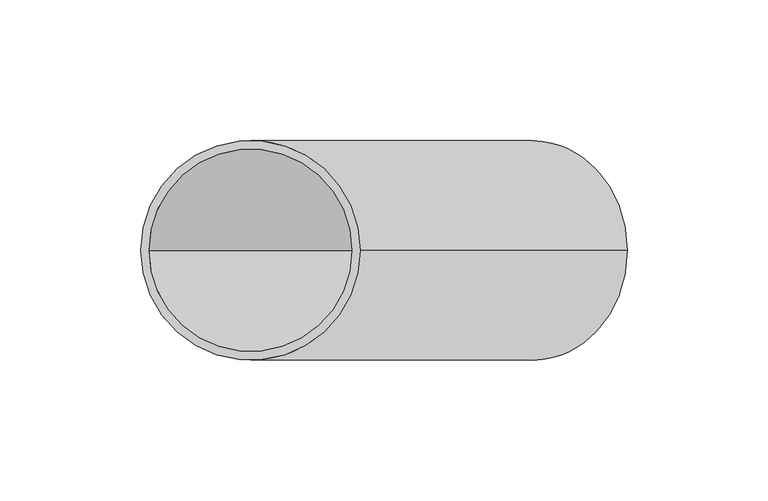
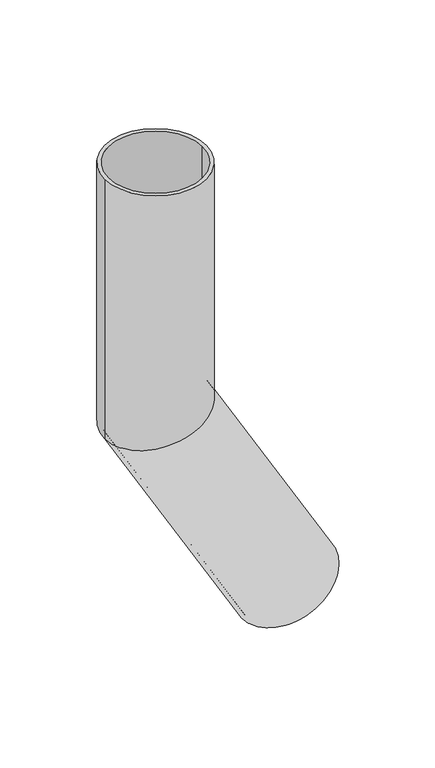
"""IFC4 building model written with IfcOpenShell, lengths in millimetres: beam geometry."""

from ifc_helpers import new_model, si_unit, frame, origin, place, context, project, spatial, polyline, circle_curve, ellipse_curve, source, transform, mapped, element, save
from ifc_brep_helpers import plane_surface, cylinder_surface, revolved_surface, advanced_brep


def beam_1f14a3c4(model_context):
    return source(origin(), model_context, "Body", "AdvancedBrep", [
        advanced_brep(
        [(133.7749907, 0.0, -353.7050808), (66.2250093, 0.0, -392.7050808), (131.1769145, 0.0, -355.2050808), (68.8230855, 0.0, -391.2050808), (39.0, 0.0, 0.0), (-39.0, 0.0, 0.0), (36.0, 0.0, 0.0), (-36.0, 0.0, 0.0), (36.0, 0.0, -190.3538291), (0.0, -36.0, -200.0), (-36.0, 0.0, -209.6461709), (0.0, 36.0, -200.0), (39.0, 0.0, -189.5499815), (-39.0, 0.0, -210.4500185)],
        [
            (0, 1, circle_curve(frame((100.0, 0.0, -373.2050808), z_axis=(0.5000000000000633, 0.0, -0.8660254037844022), x_axis=(-0.8660254037844022, 0.0, -0.5000000000000633)), 39.0)),
            (1, 0, circle_curve(frame((100.0, 0.0, -373.2050808), z_axis=(0.5000000000000633, 0.0, -0.8660254037844022), x_axis=(-0.8660254037844022, 0.0, -0.5000000000000633)), 39.0)),
            (2, 3, circle_curve(frame((100.0, 0.0, -373.2050808), z_axis=(-0.5000000000000633, 0.0, 0.8660254037844022), x_axis=(-0.8660254037844022, 0.0, -0.5000000000000633)), 36.0)),
            (3, 2, circle_curve(frame((100.0, 0.0, -373.2050808), z_axis=(-0.5000000000000633, 0.0, 0.8660254037844022), x_axis=(-0.8660254037844022, 0.0, -0.5000000000000633)), 36.0)),
            (4, 5, circle_curve(frame((0.0, 0.0, 0.0), z_axis=(0.0, 0.0, 1.0), x_axis=(-1.0, 0.0, 0.0)), 39.0)),
            (5, 4, circle_curve(frame((0.0, 0.0, 0.0), z_axis=(0.0, 0.0, 1.0), x_axis=(-1.0, 0.0, 0.0)), 39.0)),
            (6, 7, circle_curve(frame((0.0, 0.0, 0.0), z_axis=(0.0, 0.0, -1.0), x_axis=(-1.0, 0.0, 0.0)), 36.0)),
            (7, 6, circle_curve(frame((0.0, 0.0, 0.0), z_axis=(0.0, 0.0, -1.0), x_axis=(-1.0, 0.0, 0.0)), 36.0)),
            (6, 8),
            (8, 9, ellipse_curve(frame((0.0, 0.0, -200.0), z_axis=(0.25881904510255604, 0.0, -0.9659258262890589), x_axis=(0.9659258262890589, 0.0, 0.25881904510255593)), 37.2699425, 36.0)),
            (9, 10, ellipse_curve(frame((0.0, 0.0, -200.0), z_axis=(0.25881904510255604, 0.0, -0.9659258262890589), x_axis=(0.9659258262890589, 0.0, 0.25881904510255593)), 37.2699425, 36.0)),
            (10, 7),
            (10, 11, ellipse_curve(frame((0.0, 0.0, -200.0), z_axis=(0.25881904510255604, 0.0, -0.9659258262890589), x_axis=(0.9659258262890589, 0.0, 0.25881904510255593)), 37.2699425, 36.0)),
            (11, 8, ellipse_curve(frame((0.0, 0.0, -200.0), z_axis=(0.25881904510255604, 0.0, -0.9659258262890589), x_axis=(0.9659258262890589, 0.0, 0.25881904510255593)), 37.2699425, 36.0)),
            (4, 12),
            (12, 13, ellipse_curve(frame((0.0, 0.0, -200.0), z_axis=(-0.25881904510255604, 0.0, 0.9659258262890589), x_axis=(-0.9659258262890589, 0.0, -0.25881904510255593)), 40.375771, 39.0)),
            (13, 5),
            (13, 12, ellipse_curve(frame((0.0, 0.0, -200.0), z_axis=(-0.25881904510255604, 0.0, 0.9659258262890589), x_axis=(-0.9659258262890589, 0.0, -0.25881904510255593)), 40.375771, 39.0)),
            (2, 8),
            (10, 3),
            (0, 12),
            (13, 1),
        ],
        [
            plane_surface(frame((100.0, 0.0, -373.2050808), z_axis=(0.5000000000000633, 0.0, -0.8660254037844022), x_axis=(0.0, -1.0, 0.0))),
            plane_surface(frame((0.0, 0.0, 0.0), z_axis=(0.0, 0.0, 1.0), x_axis=(0.0, -1.0, 0.0))),
            revolved_surface(polyline([(-36.0, 0.0, 0.0), (-36.0, 0.0, -209.64617092887715)]), (0.0, 0.0, -200.0), (0.0, 0.0, 1.0)),
            cylinder_surface(frame((0.0, 0.0, -200.0), z_axis=(0.0, 0.0, -1.0), x_axis=(-1.0, 0.0, 0.0)), 39.0),
            revolved_surface(polyline([(-36.00000003059816, 0.0, -209.64617091766578), (68.82308547282015, 0.0, -391.2050808156923)]), (100.0, 0.0, -373.2050808), (-0.5000000000000633, 0.0, 0.8660254037844022)),
            cylinder_surface(frame((100.0, 0.0, -373.2050808), z_axis=(0.5000000000000633, 0.0, -0.8660254037844022), x_axis=(-0.8660254037844022, 0.0, -0.5000000000000633)), 39.0),
        ],
        [
            (0, [[1, 2], [3, 4]]),
            (1, [[5, 6], [7, 8]]),
            (2, [[-7, 9, 10, 11, 12]]),
            (2, [[-8, -12, 13, 14, -9]]),
            (3, [[-5, 15, 16, 17]]),
            (3, [[-6, -17, 18, -15]]),
            (4, [[-3, 19, -14, -13, 20]]),
            (4, [[-4, -20, -11, -10, -19]]),
            (5, [[-1, 21, -18, 22]]),
            (5, [[-2, -22, -16, -21]]),
        ],
    ),
    ])


if __name__ == "__main__":
    model = new_model("IFC4")
    model_context = context("Model", 3, world=origin())
    ifc_project = project(units=[si_unit("LENGTHUNIT", "METRE", prefix="MILLI")], contexts=[model_context])
    site = spatial("IfcSite", under=ifc_project)
    building = spatial("IfcBuilding", under=site)
    placement = place(None, origin())
    beam_shape = beam_1f14a3c4(model_context)
    element("IfcBeam", 1, at=placement, inside=building, context=model_context, shape_type="MappedRepresentation", body=[
        mapped(beam_shape, transform((0.0, 0.0, 0.0), x_axis=(1.0, 0.0, 0.0), y_axis=(0.0, 1.0, 0.0), z_axis=(0.0, 0.0, 1.0))),
    ])
    save(model, "model.ifc")
